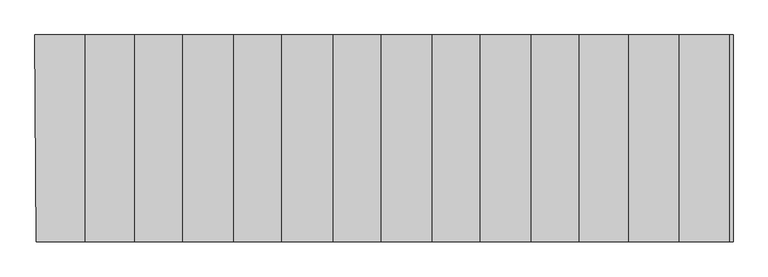
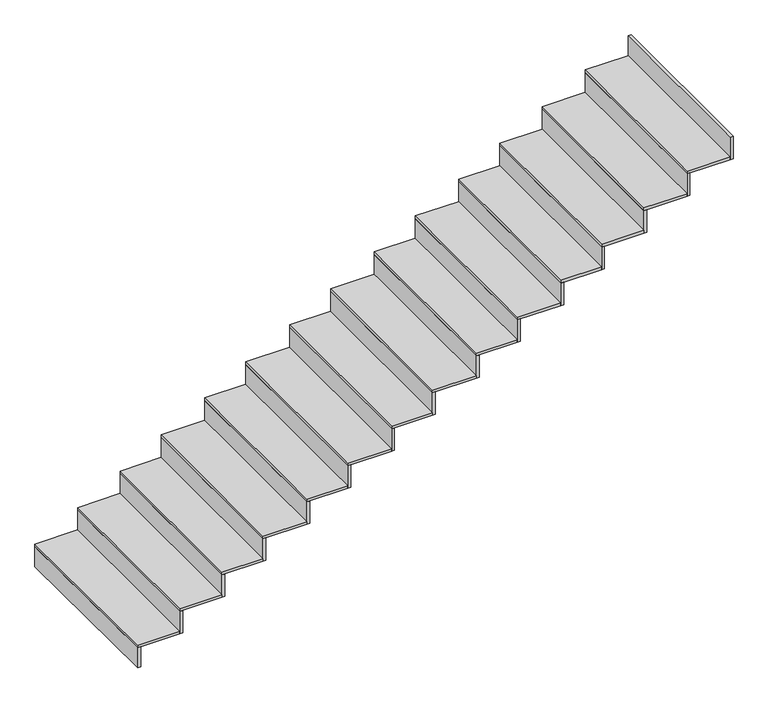
"""IFC4 building model written with IfcOpenShell, lengths in millimetres: stair flight geometry."""

from ifc_helpers import new_model, si_unit, frame, origin, place, context, project, spatial, polyline, outline, extrude, source, transform, mapped, element, save


def stair_flight_c3a848bb(model_context):
    return source(origin(), model_context, "Body", "SweptSolid", [
        extrude(outline(polyline([(49735.3103804, 633.5282703), (49715.3100832, 633.5293689), (49708.7949144, 1840.863915), (49728.7952056, 1840.863915), (49735.3103804, 633.5282703)])), frame((0.0, 0.0, -2426.5), z_axis=(0.0, 0.0, 1.0), x_axis=(1.0, 0.0, 0.0)), (0.0, 0.0, 1.0), 142.5197413),
        extrude(outline(polyline([(50001.6472599, 1840.863915), (50001.6472599, 633.5136406), (49715.3100832, 633.5293689), (49708.7949144, 1840.863915), (50001.6472599, 1840.863915)])), frame((0.0, 0.0, -2283.9802587), z_axis=(0.0, 0.0, 1.0), x_axis=(1.0, 0.0, 0.0)), (0.0, 0.0, 1.0), 20.0),
        extrude(outline(polyline([(50021.6472599, 633.512542), (50001.6472599, 633.5136406), (50001.6472599, 1840.863915), (50021.6472599, 1840.863915), (50021.6472599, 633.512542)])), frame((0.0, 0.0, -2283.9802587), z_axis=(0.0, 0.0, 1.0), x_axis=(1.0, 0.0, 0.0)), (0.0, 0.0, 1.0), 162.5197413),
        extrude(outline(polyline([(50291.6472599, 1840.863915), (50291.6472599, 633.4977111), (50001.6472599, 633.5136406), (50001.6472599, 1840.863915), (50291.6472599, 1840.863915)])), frame((0.0, 0.0, -2121.4605175), z_axis=(0.0, 0.0, 1.0), x_axis=(1.0, 0.0, 0.0)), (0.0, 0.0, 1.0), 20.0),
        extrude(outline(polyline([(50311.6472599, 633.4966125), (50291.6472599, 633.4977111), (50291.6472599, 1840.863915), (50311.6472599, 1840.863915), (50311.6472599, 633.4966125)])), frame((0.0, 0.0, -2121.4605175), z_axis=(0.0, 0.0, 1.0), x_axis=(1.0, 0.0, 0.0)), (0.0, 0.0, 1.0), 162.5197413),
        extrude(outline(polyline([(50571.6472599, 1840.863915), (50571.6472599, 633.4823309), (50291.6472599, 633.4977111), (50291.6472599, 1840.863915), (50571.6472599, 1840.863915)])), frame((0.0, 0.0, -1958.9407762), z_axis=(0.0, 0.0, 1.0), x_axis=(1.0, 0.0, 0.0)), (0.0, 0.0, 1.0), 20.0),
        extrude(outline(polyline([(50591.6472599, 633.4812324), (50571.6472599, 633.4823309), (50571.6472599, 1840.863915), (50591.6472599, 1840.863915), (50591.6472599, 633.4812324)])), frame((0.0, 0.0, -1958.9407762), z_axis=(0.0, 0.0, 1.0), x_axis=(1.0, 0.0, 0.0)), (0.0, 0.0, 1.0), 162.5197413),
        extrude(outline(polyline([(50871.6472599, 1840.863915), (50871.6472599, 633.4658522), (50571.6472599, 633.4823309), (50571.6472599, 1840.863915), (50871.6472599, 1840.863915)])), frame((0.0, 0.0, -1796.421035), z_axis=(0.0, 0.0, 1.0), x_axis=(1.0, 0.0, 0.0)), (0.0, 0.0, 1.0), 20.0),
        extrude(outline(polyline([(50891.6472599, 633.4647536), (50871.6472599, 633.4658522), (50871.6472599, 1840.863915), (50891.6472599, 1840.863915), (50891.6472599, 633.4647536)])), frame((0.0, 0.0, -1796.421035), z_axis=(0.0, 0.0, 1.0), x_axis=(1.0, 0.0, 0.0)), (0.0, 0.0, 1.0), 162.5197413),
        extrude(outline(polyline([(51151.6472599, 1840.863915), (51151.6472599, 633.450472), (50871.6472599, 633.4658522), (50871.6472599, 1840.863915), (51151.6472599, 1840.863915)])), frame((0.0, 0.0, -1633.9012937), z_axis=(0.0, 0.0, 1.0), x_axis=(1.0, 0.0, 0.0)), (0.0, 0.0, 1.0), 20.0),
        extrude(outline(polyline([(51171.6472599, 633.4493734), (51151.6472599, 633.450472), (51151.6472599, 1840.863915), (51171.6472599, 1840.863915), (51171.6472599, 633.4493734)])), frame((0.0, 0.0, -1633.9012937), z_axis=(0.0, 0.0, 1.0), x_axis=(1.0, 0.0, 0.0)), (0.0, 0.0, 1.0), 162.5197413),
        extrude(outline(polyline([(51451.6472599, 1840.863915), (51451.6472599, 633.4339932), (51151.6472599, 633.450472), (51151.6472599, 1840.863915), (51451.6472599, 1840.863915)])), frame((0.0, 0.0, -1471.3815524), z_axis=(0.0, 0.0, 1.0), x_axis=(1.0, 0.0, 0.0)), (0.0, 0.0, 1.0), 20.0),
        extrude(outline(polyline([(51471.6472599, 633.4328946), (51451.6472599, 633.4339932), (51451.6472599, 1840.863915), (51471.6472599, 1840.863915), (51471.6472599, 633.4328946)])), frame((0.0, 0.0, -1471.3815524), z_axis=(0.0, 0.0, 1.0), x_axis=(1.0, 0.0, 0.0)), (0.0, 0.0, 1.0), 162.5197413),
        extrude(outline(polyline([(51731.6472599, 1840.863915), (51731.6472599, 633.418613), (51451.6472599, 633.4339932), (51451.6472599, 1840.863915), (51731.6472599, 1840.863915)])), frame((0.0, 0.0, -1308.8618112), z_axis=(0.0, 0.0, 1.0), x_axis=(1.0, 0.0, 0.0)), (0.0, 0.0, 1.0), 20.0),
        extrude(outline(polyline([(51751.6472599, 633.4175144), (51731.6472599, 633.418613), (51731.6472599, 1840.863915), (51751.6472599, 1840.863915), (51751.6472599, 633.4175144)])), frame((0.0, 0.0, -1308.8618112), z_axis=(0.0, 0.0, 1.0), x_axis=(1.0, 0.0, 0.0)), (0.0, 0.0, 1.0), 162.5197413),
        extrude(outline(polyline([(52031.6472599, 1840.863915), (52031.6472599, 633.4021342), (51731.6472599, 633.418613), (51731.6472599, 1840.863915), (52031.6472599, 1840.863915)])), frame((0.0, 0.0, -1146.3420699), z_axis=(0.0, 0.0, 1.0), x_axis=(1.0, 0.0, 0.0)), (0.0, 0.0, 1.0), 20.0),
        extrude(outline(polyline([(52051.6472599, 633.4010356), (52031.6472599, 633.4021342), (52031.6472599, 1840.863915), (52051.6472599, 1840.863915), (52051.6472599, 633.4010356)])), frame((0.0, 0.0, -1146.3420699), z_axis=(0.0, 0.0, 1.0), x_axis=(1.0, 0.0, 0.0)), (0.0, 0.0, 1.0), 162.5197413),
        extrude(outline(polyline([(52311.6472599, 1840.863915), (52311.6472599, 633.386754), (52031.6472599, 633.4021342), (52031.6472599, 1840.863915), (52311.6472599, 1840.863915)])), frame((0.0, 0.0, -983.8223286), z_axis=(0.0, 0.0, 1.0), x_axis=(1.0, 0.0, 0.0)), (0.0, 0.0, 1.0), 20.0),
        extrude(outline(polyline([(52331.6472599, 633.3856554), (52311.6472599, 633.386754), (52311.6472599, 1840.863915), (52331.6472599, 1840.863915), (52331.6472599, 633.3856554)])), frame((0.0, 0.0, -983.8223286), z_axis=(0.0, 0.0, 1.0), x_axis=(1.0, 0.0, 0.0)), (0.0, 0.0, 1.0), 162.5197413),
        extrude(outline(polyline([(52608.7334097, 1840.863915), (52608.7334097, 633.3704353), (52311.6472599, 633.386754), (52311.6472599, 1840.863915), (52608.7334097, 1840.863915)])), frame((0.0, 0.0, -821.3025874), z_axis=(0.0, 0.0, 1.0), x_axis=(1.0, 0.0, 0.0)), (0.0, 0.0, 1.0), 20.0),
        extrude(outline(polyline([(52628.7334097, 633.3693367), (52608.7334097, 633.3704353), (52608.7334097, 1840.863915), (52628.7334097, 1840.863915), (52628.7334097, 633.3693367)])), frame((0.0, 0.0, -821.3025874), z_axis=(0.0, 0.0, 1.0), x_axis=(1.0, 0.0, 0.0)), (0.0, 0.0, 1.0), 162.5197413),
        extrude(outline(polyline([(52888.8181563, 1840.863915), (52888.8181563, 633.3550504), (52608.7334097, 633.3704353), (52608.7334097, 1840.863915), (52888.8181563, 1840.863915)])), frame((0.0, 0.0, -658.7828461), z_axis=(0.0, 0.0, 1.0), x_axis=(1.0, 0.0, 0.0)), (0.0, 0.0, 1.0), 20.0),
        extrude(outline(polyline([(52908.8181563, 633.3539518), (52888.8181563, 633.3550504), (52888.8181563, 1840.863915), (52908.8181563, 1840.863915), (52908.8181563, 633.3539518)])), frame((0.0, 0.0, -658.7828461), z_axis=(0.0, 0.0, 1.0), x_axis=(1.0, 0.0, 0.0)), (0.0, 0.0, 1.0), 162.5197413),
        extrude(outline(polyline([(53178.8181563, 1840.863915), (53178.8181563, 633.3391209), (52888.8181563, 633.3550504), (52888.8181563, 1840.863915), (53178.8181563, 1840.863915)])), frame((0.0, 0.0, -496.2631049), z_axis=(0.0, 0.0, 1.0), x_axis=(1.0, 0.0, 0.0)), (0.0, 0.0, 1.0), 20.0),
        extrude(outline(polyline([(53198.8181563, 633.3380223), (53178.8181563, 633.3391209), (53178.8181563, 1840.863915), (53198.8181563, 1840.863915), (53198.8181563, 633.3380223)])), frame((0.0, 0.0, -496.2631049), z_axis=(0.0, 0.0, 1.0), x_axis=(1.0, 0.0, 0.0)), (0.0, 0.0, 1.0), 162.5197413),
        extrude(outline(polyline([(53473.8181563, 1840.863915), (53473.8181563, 633.3229168), (53178.8181563, 633.3391209), (53178.8181563, 1840.863915), (53473.8181563, 1840.863915)])), frame((0.0, 0.0, -333.7433636), z_axis=(0.0, 0.0, 1.0), x_axis=(1.0, 0.0, 0.0)), (0.0, 0.0, 1.0), 20.0),
        extrude(outline(polyline([(53493.8181563, 633.3218182), (53473.8181563, 633.3229168), (53473.8181563, 1840.863915), (53493.8181563, 1840.863915), (53493.8181563, 633.3218182)])), frame((0.0, 0.0, -333.7433636), z_axis=(0.0, 0.0, 1.0), x_axis=(1.0, 0.0, 0.0)), (0.0, 0.0, 1.0), 162.5197413),
        extrude(outline(polyline([(53788.7130713, 633.3056198), (53768.7130713, 633.3067184), (53768.7130713, 1840.863915), (53788.7130713, 1840.863915), (53788.7130713, 633.3056198)])), frame((0.0, 0.0, -171.2236223), z_axis=(0.0, 0.0, 1.0), x_axis=(1.0, 0.0, 0.0)), (0.0, 0.0, 1.0), 162.5197413),
        extrude(outline(polyline([(53768.7130713, 1840.863915), (53768.7130713, 633.3067184), (53473.8181563, 633.3229168), (53473.8181563, 1840.863915), (53768.7130713, 1840.863915)])), frame((0.0, 0.0, -171.2236223), z_axis=(0.0, 0.0, 1.0), x_axis=(1.0, 0.0, 0.0)), (0.0, 0.0, 1.0), 20.0),
    ])


if __name__ == "__main__":
    model = new_model("IFC4")
    model_context = context("Model", 3, world=origin())
    ifc_project = project(units=[si_unit("LENGTHUNIT", "METRE", prefix="MILLI")], contexts=[model_context])
    site = spatial("IfcSite", under=ifc_project)
    building = spatial("IfcBuilding", under=site)
    placement = place(None, origin())
    stair_flight_shape = stair_flight_c3a848bb(model_context)
    element("IfcStairFlight", 1, at=placement, inside=building, context=model_context, shape_type="MappedRepresentation", body=[
        mapped(stair_flight_shape, transform((0.0, 0.0, 0.0), x_axis=(1.0, 0.0, 0.0), y_axis=(0.0, 1.0, 0.0), z_axis=(0.0, 0.0, 1.0))),
    ])
    save(model, "model.ifc")
